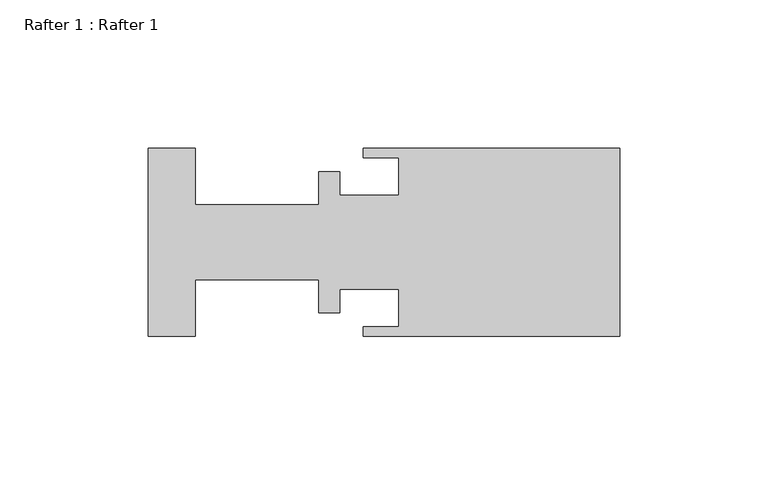
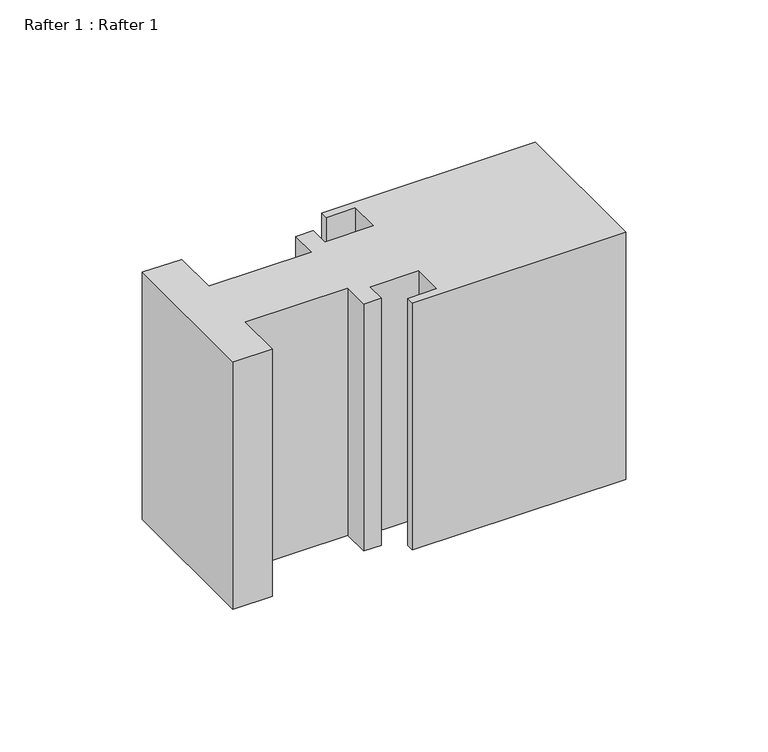
"""IFC4 building model written with IfcOpenShell, lengths in millimetres: proxy geometry, Rafter 1 : Rafter 1."""

import ifcopenshell
import ifcopenshell.guid

model = None  # the IFC model being written
_history = None  # IfcOwnerHistory: only IFC2X3 demands one
_inside = {}  # id of a spatial element -> (the spatial element, [elements in it])
_under = {}  # id of a project, library or spatial element -> (it, [spatial elements below it])
_declared = {}  # id of a project -> (the project, [libraries it declares])
_typed = {}  # id of a type object -> (the type object, [elements of that type])
_made_of = {}  # id of a material, layer set ... -> (it, [elements and type objects made of it])


def new_model(schema):
    """Start an empty IFC model of exactly this schema.

    Asked for "IFC4X3", IfcOpenShell would pick the latest addendum, in which some entities
    have other attributes; the version numbers below select the first issue.
    IFC2X3 requires an IfcOwnerHistory on every rooted entity: one is made here for all.
    """
    global model, _history
    if schema == "IFC4X3":
        model = ifcopenshell.file(schema_version=(4, 3, 0, 0))
    else:
        model = ifcopenshell.file(schema=schema)
    _inside.clear()
    _under.clear()
    _declared.clear()
    _typed.clear()
    _made_of.clear()
    _history = None
    if model.schema == "IFC2X3":
        org = make("IfcOrganization", Name="unknown")
        user = make(
            "IfcPersonAndOrganization",
            ThePerson=make("IfcPerson", FamilyName="unknown"),
            TheOrganization=org,
        )
        app = make(
            "IfcApplication",
            ApplicationDeveloper=org,
            Version="unknown",
            ApplicationFullName="unknown",
            ApplicationIdentifier="unknown",
        )
        _history = make(
            "IfcOwnerHistory",
            OwningUser=user,
            OwningApplication=app,
            ChangeAction="ADDED",
            CreationDate=0,
        )
    return model


def make(cls, **values):
    """One entity of the class cls with the attributes given. An attribute that is None is left unset."""
    return model.create_entity(
        cls, **{name: value for name, value in values.items() if value is not None}
    )


def rooted(cls, **values):
    """An entity with a GlobalId (a new one), such as an element, a storey or a relation."""
    return make(cls, GlobalId=ifcopenshell.guid.new(), OwnerHistory=_history, **values)


def si_unit(unit_type, name, prefix=None):
    """IfcSIUnit, for example si_unit("LENGTHUNIT", "METRE", prefix="MILLI")."""
    return make("IfcSIUnit", UnitType=unit_type, Prefix=prefix, Name=name)


def assignment(units):
    """IfcUnitAssignment: the units of a project."""
    return None if units is None else make("IfcUnitAssignment", Units=units)


def point(xyz):
    """IfcCartesianPoint."""
    return None if xyz is None else make("IfcCartesianPoint", Coordinates=xyz)


def direction(xyz):
    """IfcDirection."""
    return None if xyz is None else make("IfcDirection", DirectionRatios=xyz)


def frame(location, z_axis=None, x_axis=None):
    """IfcAxis2Placement3D, a coordinate frame: its origin and axes. An axis left out is left unset."""
    return make(
        "IfcAxis2Placement3D",
        Location=point(location),
        Axis=direction(z_axis),
        RefDirection=direction(x_axis),
    )


def origin():
    """The frame at (0, 0, 0) with its axes left unset."""
    return frame((0.0, 0.0, 0.0))


def place(relative_to, where):
    """IfcLocalPlacement: puts the frame where relative to a parent placement (None: the world)."""
    return make(
        "IfcLocalPlacement", PlacementRelTo=relative_to, RelativePlacement=where
    )


def context(
    kind, dimensions, precision=None, world=None, true_north=None, identifier=None
):
    """IfcGeometricRepresentationContext, for example the 3D "Model" context."""
    return make(
        "IfcGeometricRepresentationContext",
        ContextIdentifier=identifier,
        ContextType=kind,
        CoordinateSpaceDimension=dimensions,
        Precision=precision,
        WorldCoordinateSystem=world,
        TrueNorth=true_north,
    )


def project(units=None, contexts=None):
    """IfcProject with its units and contexts."""
    return rooted(
        "IfcProject",
        Name="project",
        RepresentationContexts=contexts,
        UnitsInContext=assignment(units),
    )


def spatial(cls, under=None, at=None, **own):
    """A site, building, storey or space (cls), placed at a placement, below another one or the project."""
    s = rooted(cls, ObjectPlacement=at, **own)
    if under is not None:
        _under.setdefault(under.id(), (under, []))[1].append(s)
    return s


def polyline(points):
    """IfcPolyline through the points."""
    return make("IfcPolyline", Points=[point(p) for p in points])


def outline(outer, holes=None, kind="AREA"):
    """IfcArbitraryClosedProfileDef: a profile drawn as a closed curve; with holes, ...WithVoids."""
    if holes is None:
        return make("IfcArbitraryClosedProfileDef", ProfileType=kind, OuterCurve=outer)
    return make(
        "IfcArbitraryProfileDefWithVoids",
        ProfileType=kind,
        OuterCurve=outer,
        InnerCurves=holes,
    )


def extrude(swept, where, along, depth):
    """IfcExtrudedAreaSolid: the profile swept, set in the frame where, extruded along a direction by depth."""
    return make(
        "IfcExtrudedAreaSolid",
        SweptArea=swept,
        Position=where,
        ExtrudedDirection=direction(along),
        Depth=depth,
    )


def shape(context_of_items, identifier, shape_type, items):
    """IfcShapeRepresentation: the items that make up one representation, for example the "Body"."""
    return make(
        "IfcShapeRepresentation",
        ContextOfItems=context_of_items,
        RepresentationIdentifier=identifier,
        RepresentationType=shape_type,
        Items=items,
    )


def source(mapping_origin, context_of_items, identifier, shape_type, items):
    """IfcRepresentationMap: a shape defined once, which mapped items show again and again."""
    return make(
        "IfcRepresentationMap",
        MappingOrigin=mapping_origin,
        MappedRepresentation=shape(context_of_items, identifier, shape_type, items),
    )


def transform(
    local_origin,
    x_axis=None,
    y_axis=None,
    z_axis=None,
    scale=None,
    scale2=None,
    scale3=None,
    uniform=True,
):
    """IfcCartesianTransformationOperator3D, or its non-uniform kind. x_axis, y_axis, z_axis: its Axis1, 2, 3."""
    if uniform:
        return make(
            "IfcCartesianTransformationOperator3D",
            Axis1=direction(x_axis),
            Axis2=direction(y_axis),
            LocalOrigin=point(local_origin),
            Scale=scale,
            Axis3=direction(z_axis),
        )
    return make(
        "IfcCartesianTransformationOperator3DnonUniform",
        Axis1=direction(x_axis),
        Axis2=direction(y_axis),
        LocalOrigin=point(local_origin),
        Scale=scale,
        Axis3=direction(z_axis),
        Scale2=scale2,
        Scale3=scale3,
    )


def mapped(mapping_source, mapping_target):
    """IfcMappedItem: shows the shape of a source again, moved by a transform."""
    return make(
        "IfcMappedItem", MappingSource=mapping_source, MappingTarget=mapping_target
    )


def made_of(thing, what):
    """Note that an element or type object is made of a material, layer set ...; save() writes the relation."""
    if what is not None:
        _made_of.setdefault(what.id(), (what, []))[1].append(thing)
    return thing


def element(
    cls,
    number,
    at=None,
    inside=None,
    cuts=None,
    type_object=None,
    material=None,
    context=None,
    identifier="Body",
    shape_type=None,
    held_by="IfcProductDefinitionShape",
    body=None,
    shapes=None,
    **own,
):
    """One element of the class cls, such as IfcWall. Its Tag is "e" and its number.

    at: its placement. inside: the storey or other place that contains it. cuts: it is an
    opening in that element (IfcRelVoidsElement). A single representation is given by context,
    identifier, shape_type and body (its items); several are given by shapes. held_by: the class
    of the entity that holds the representations. save() writes the other relations.
    """
    e = rooted(cls, Tag="e%d" % number, ObjectPlacement=at, **own)
    if body is not None:
        shapes = [shape(context, identifier, shape_type, body)]
    if shapes is not None:
        e.Representation = make(held_by, Representations=shapes)
    if inside is not None:
        _inside.setdefault(inside.id(), (inside, []))[1].append(e)
    if cuts is not None:
        rooted(
            "IfcRelVoidsElement", RelatingBuildingElement=cuts, RelatedOpeningElement=e
        )
    if type_object is not None:
        _typed.setdefault(type_object.id(), (type_object, []))[1].append(e)
    return made_of(e, material)


def aggregate(whole, parts):
    """IfcRelAggregates: a whole, such as a stair, and the parts it consists of."""
    return rooted("IfcRelAggregates", RelatingObject=whole, RelatedObjects=parts)


def save(model, path):
    """Write the relations noted so far, then the file.

    IfcRelAggregates (storeys below a building ...), IfcRelContainedInSpatialStructure (elements
    in a storey), IfcRelDefinesByType, IfcRelAssociatesMaterial and IfcRelDeclares: one each for
    every whole, place, type object, material and project.
    """
    for whole, parts in _under.values():
        aggregate(whole, parts)
    for where, things in _inside.values():
        rooted(
            "IfcRelContainedInSpatialStructure",
            RelatedElements=things,
            RelatingStructure=where,
        )
    for kind, things in _typed.values():
        rooted("IfcRelDefinesByType", RelatedObjects=things, RelatingType=kind)
    for what, things in _made_of.values():
        rooted("IfcRelAssociatesMaterial", RelatedObjects=things, RelatingMaterial=what)
    for by, libraries in _declared.values():
        rooted("IfcRelDeclares", RelatingContext=by, RelatedDefinitions=libraries)
    model.write(path)


def rafter_1_rafter_1_6e00a93d(model_context):
    return source(origin(), model_context, "Body", "SweptSolid", [
        extrude(outline(polyline([(-5244.4649704, 5130.3687652), (-5228.5899704, 5130.3687652), (-5228.5899704, 5111.3187652), (-5186.9339704, 5111.3187652), (-5186.9339704, 5122.4439652), (-5179.7711704, 5122.4439652), (-5179.7711704, 5114.4937652), (-5159.9591704, 5114.4937652), (-5159.9591704, 5127.1937652), (-5171.8717704, 5127.1937652), (-5171.8717704, 5130.3687652), (-5085.3339704, 5130.3687652), (-5085.3339704, 5066.8687652), (-5171.8717704, 5066.8687652), (-5171.8717704, 5070.0437652), (-5159.9591704, 5070.0437652), (-5159.9591704, 5082.7437652), (-5179.7711704, 5082.7437652), (-5179.7711704, 5074.7935652), (-5186.9339704, 5074.7935652), (-5186.9339704, 5085.9187652), (-5228.5899704, 5085.9187652), (-5228.5899704, 5066.8687652), (-5244.4649704, 5066.8687652), (-5244.4649704, 5130.3687652)])), frame((0.0, 0.0, 906.6928108), z_axis=(0.0, 0.0, 1.0), x_axis=(1.0, 0.0, 0.0)), (0.0, 0.0, 1.0), 105.9434),
    ])


if __name__ == "__main__":
    model = new_model("IFC4")
    model_context = context("Model", 3, world=origin())
    ifc_project = project(units=[si_unit("LENGTHUNIT", "METRE", prefix="MILLI")], contexts=[model_context])
    site = spatial("IfcSite", under=ifc_project)
    building = spatial("IfcBuilding", under=site)
    placement = place(None, origin())
    rafter_1_rafter_1_shape = rafter_1_rafter_1_6e00a93d(model_context)
    element("IfcBuildingElementProxy", 1, Name="Rafter 1 : Rafter 1", ObjectType="Rafter 1 : Rafter 1", at=placement, inside=building, context=model_context, shape_type="MappedRepresentation", body=[
        mapped(rafter_1_rafter_1_shape, transform((0.0, 0.0, 0.0), x_axis=(1.0, 0.0, 0.0), y_axis=(0.0, 1.0, 0.0), z_axis=(0.0, 0.0, 1.0))),
    ])
    save(model, "model.ifc")
